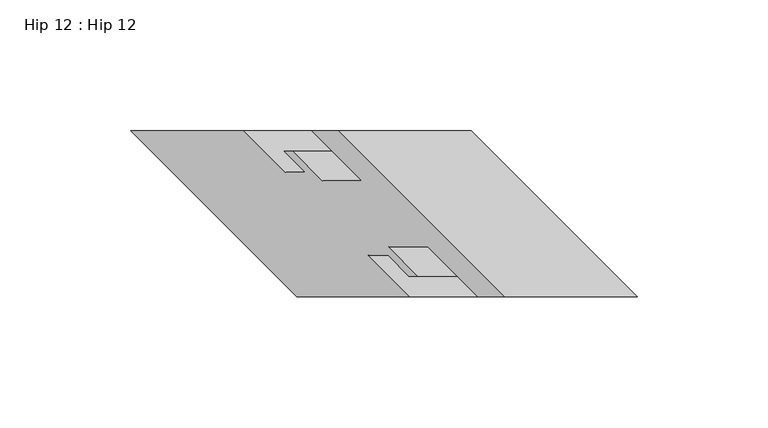
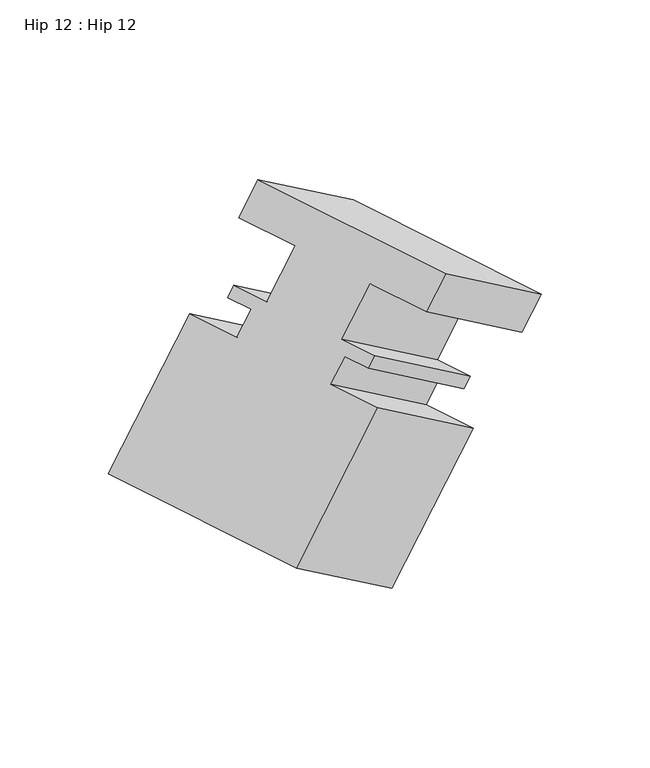
"""IFC4 building model written with IfcOpenShell, lengths in millimetres: proxy geometry, Hip 12 : Hip 12."""

from ifc_helpers import new_model, si_unit, origin, place, context, project, spatial, faceted_brep, source, transform, mapped, element, save


def hip_12_hip_12_e8a6473d(model_context):
    return source(origin(), model_context, "Body", "Brep", [
        faceted_brep([(-7009.7404507, 7262.7039257, 1350.8186617), (-6959.0729703, 7262.7039257, 1321.5657782), (-7022.5729703, 7326.2039257, 1358.2275203), (-7073.2404507, 7326.2039257, 1387.4804037), (-7032.8917203, 7326.2039257, 1340.354921), (-7083.5592007, 7326.2039257, 1369.6078045), (-7013.8607703, 7307.1539257, 1329.3234028), (-7064.5282507, 7307.1539257, 1358.5762863), (-7028.9229703, 7307.1539257, 1303.2349071), (-7079.5904507, 7307.1539257, 1332.4877906), (-7040.0481703, 7318.2791257, 1309.6580443), (-7090.7156507, 7318.2791257, 1338.9109278), (-7043.3640609, 7318.2791257, 1303.9147533), (-7094.0315414, 7318.2791257, 1333.1676368), (-7035.4138609, 7310.3289257, 1299.3247032), (-7086.0813414, 7310.3289257, 1328.5775867), (-7042.9945703, 7310.3289257, 1286.1945294), (-7093.6620507, 7310.3289257, 1315.4474129), (-7058.8695703, 7326.2039257, 1295.3599649), (-7109.5370507, 7326.2039257, 1324.6128484), (-7102.1384703, 7326.2039257, 1220.4160317), (-7152.8059507, 7326.2039257, 1249.6689152), (-7038.6384703, 7262.7039257, 1183.7542896), (-7089.3059507, 7262.7039257, 1213.0071731), (-6995.3695703, 7262.7039257, 1258.6982228), (-7046.0370507, 7262.7039257, 1287.9511063), (-7011.2445703, 7278.5789257, 1267.8636584), (-7061.9120507, 7278.5789257, 1297.1165418), (-7003.7134703, 7278.5789257, 1280.9079062), (-7054.3809507, 7278.5789257, 1310.1607897), (-6995.7632703, 7270.6287257, 1276.3178561), (-7046.4307507, 7270.6287257, 1305.5707396), (-6992.404205, 7270.6287257, 1282.1359279), (-7043.0716854, 7270.6287257, 1311.3888114), (-7003.529405, 7281.7539257, 1288.5590651), (-7054.1968854, 7281.7539257, 1317.8119486), (-6988.4607703, 7281.7539257, 1314.658706), (-7039.1282507, 7281.7539257, 1343.9115894), (-6969.4107703, 7262.7039257, 1303.6601833), (-7020.0782507, 7262.7039257, 1332.9130668)], [[[0, 1, 2, 3]], [[3, 2, 4, 5]], [[5, 4, 6, 7]], [[7, 6, 8, 9]], [[9, 8, 10, 11]], [[11, 10, 12, 13]], [[13, 12, 14, 15]], [[15, 14, 16, 17]], [[17, 16, 18, 19]], [[19, 18, 20, 21]], [[21, 20, 22, 23]], [[23, 22, 24, 25]], [[25, 24, 26, 27]], [[27, 26, 28, 29]], [[29, 28, 30, 31]], [[31, 30, 32, 33]], [[33, 32, 34, 35]], [[35, 34, 36, 37]], [[37, 36, 38, 39]], [[1, 0, 39, 38]], [[2, 1, 38, 36, 34, 32, 30, 28, 26, 24, 22, 20, 18, 16, 14, 12, 10, 8, 6, 4]], [[0, 3, 5, 7, 9, 11, 13, 15, 17, 19, 21, 23, 25, 27, 29, 31, 33, 35, 37, 39]]]),
    ])


if __name__ == "__main__":
    model = new_model("IFC4")
    model_context = context("Model", 3, world=origin())
    ifc_project = project(units=[si_unit("LENGTHUNIT", "METRE", prefix="MILLI")], contexts=[model_context])
    site = spatial("IfcSite", under=ifc_project)
    building = spatial("IfcBuilding", under=site)
    placement = place(None, origin())
    hip_12_hip_12_shape = hip_12_hip_12_e8a6473d(model_context)
    element("IfcBuildingElementProxy", 1, Name="Hip 12 : Hip 12", ObjectType="Hip 12 : Hip 12", at=placement, inside=building, context=model_context, shape_type="MappedRepresentation", body=[
        mapped(hip_12_hip_12_shape, transform((0.0, 0.0, 0.0), x_axis=(1.0, 0.0, 0.0), y_axis=(0.0, 1.0, 0.0), z_axis=(0.0, 0.0, 1.0))),
    ])
    save(model, "model.ifc")
